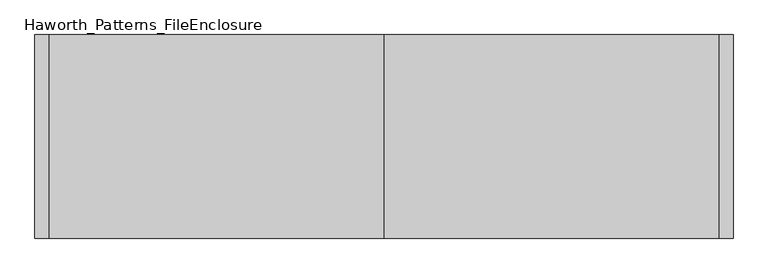
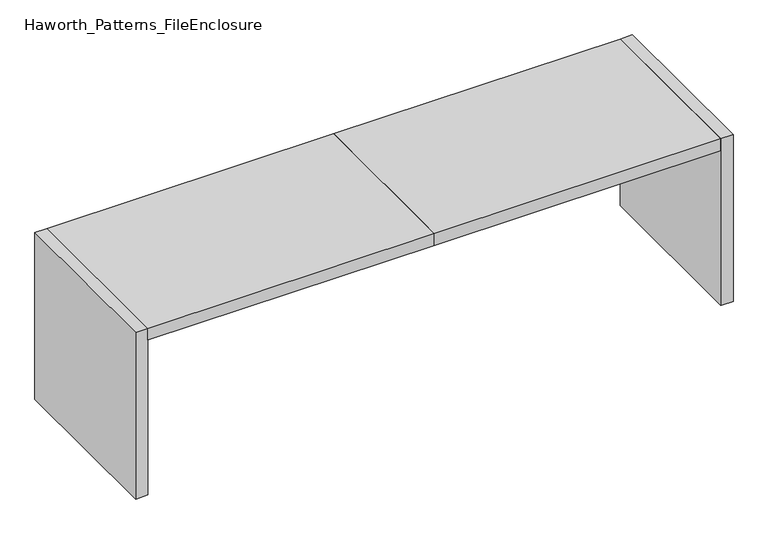
"""IFC4 building model written with IfcOpenShell, lengths in millimetres: furniture geometry, Haworth_Patterns_FileEnclosure."""

import ifcopenshell
import ifcopenshell.guid

model = None  # the IFC model being written
_history = None  # IfcOwnerHistory: only IFC2X3 demands one
_inside = {}  # id of a spatial element -> (the spatial element, [elements in it])
_under = {}  # id of a project, library or spatial element -> (it, [spatial elements below it])
_declared = {}  # id of a project -> (the project, [libraries it declares])
_typed = {}  # id of a type object -> (the type object, [elements of that type])
_made_of = {}  # id of a material, layer set ... -> (it, [elements and type objects made of it])


def new_model(schema):
    """Start an empty IFC model of exactly this schema.

    Asked for "IFC4X3", IfcOpenShell would pick the latest addendum, in which some entities
    have other attributes; the version numbers below select the first issue.
    IFC2X3 requires an IfcOwnerHistory on every rooted entity: one is made here for all.
    """
    global model, _history
    if schema == "IFC4X3":
        model = ifcopenshell.file(schema_version=(4, 3, 0, 0))
    else:
        model = ifcopenshell.file(schema=schema)
    _inside.clear()
    _under.clear()
    _declared.clear()
    _typed.clear()
    _made_of.clear()
    _history = None
    if model.schema == "IFC2X3":
        org = make("IfcOrganization", Name="unknown")
        user = make(
            "IfcPersonAndOrganization",
            ThePerson=make("IfcPerson", FamilyName="unknown"),
            TheOrganization=org,
        )
        app = make(
            "IfcApplication",
            ApplicationDeveloper=org,
            Version="unknown",
            ApplicationFullName="unknown",
            ApplicationIdentifier="unknown",
        )
        _history = make(
            "IfcOwnerHistory",
            OwningUser=user,
            OwningApplication=app,
            ChangeAction="ADDED",
            CreationDate=0,
        )
    return model


def make(cls, **values):
    """One entity of the class cls with the attributes given. An attribute that is None is left unset."""
    return model.create_entity(
        cls, **{name: value for name, value in values.items() if value is not None}
    )


def rooted(cls, **values):
    """An entity with a GlobalId (a new one), such as an element, a storey or a relation."""
    return make(cls, GlobalId=ifcopenshell.guid.new(), OwnerHistory=_history, **values)


def si_unit(unit_type, name, prefix=None):
    """IfcSIUnit, for example si_unit("LENGTHUNIT", "METRE", prefix="MILLI")."""
    return make("IfcSIUnit", UnitType=unit_type, Prefix=prefix, Name=name)


def assignment(units):
    """IfcUnitAssignment: the units of a project."""
    return None if units is None else make("IfcUnitAssignment", Units=units)


def point(xyz):
    """IfcCartesianPoint."""
    return None if xyz is None else make("IfcCartesianPoint", Coordinates=xyz)


def direction(xyz):
    """IfcDirection."""
    return None if xyz is None else make("IfcDirection", DirectionRatios=xyz)


def frame(location, z_axis=None, x_axis=None):
    """IfcAxis2Placement3D, a coordinate frame: its origin and axes. An axis left out is left unset."""
    return make(
        "IfcAxis2Placement3D",
        Location=point(location),
        Axis=direction(z_axis),
        RefDirection=direction(x_axis),
    )


def origin():
    """The frame at (0, 0, 0) with its axes left unset."""
    return frame((0.0, 0.0, 0.0))


def origin_with_axes():
    """The frame at (0, 0, 0) with the z axis (0, 0, 1) and the x axis (1, 0, 0) written out."""
    return frame((0.0, 0.0, 0.0), z_axis=(0.0, 0.0, 1.0), x_axis=(1.0, 0.0, 0.0))


def place(relative_to, where):
    """IfcLocalPlacement: puts the frame where relative to a parent placement (None: the world)."""
    return make(
        "IfcLocalPlacement", PlacementRelTo=relative_to, RelativePlacement=where
    )


def context(
    kind, dimensions, precision=None, world=None, true_north=None, identifier=None
):
    """IfcGeometricRepresentationContext, for example the 3D "Model" context."""
    return make(
        "IfcGeometricRepresentationContext",
        ContextIdentifier=identifier,
        ContextType=kind,
        CoordinateSpaceDimension=dimensions,
        Precision=precision,
        WorldCoordinateSystem=world,
        TrueNorth=true_north,
    )


def project(units=None, contexts=None):
    """IfcProject with its units and contexts."""
    return rooted(
        "IfcProject",
        Name="project",
        RepresentationContexts=contexts,
        UnitsInContext=assignment(units),
    )


def spatial(cls, under=None, at=None, **own):
    """A site, building, storey or space (cls), placed at a placement, below another one or the project."""
    s = rooted(cls, ObjectPlacement=at, **own)
    if under is not None:
        _under.setdefault(under.id(), (under, []))[1].append(s)
    return s


def polyline(points):
    """IfcPolyline through the points."""
    return make("IfcPolyline", Points=[point(p) for p in points])


def outline(outer, holes=None, kind="AREA"):
    """IfcArbitraryClosedProfileDef: a profile drawn as a closed curve; with holes, ...WithVoids."""
    if holes is None:
        return make("IfcArbitraryClosedProfileDef", ProfileType=kind, OuterCurve=outer)
    return make(
        "IfcArbitraryProfileDefWithVoids",
        ProfileType=kind,
        OuterCurve=outer,
        InnerCurves=holes,
    )


def extrude(swept, where, along, depth):
    """IfcExtrudedAreaSolid: the profile swept, set in the frame where, extruded along a direction by depth."""
    return make(
        "IfcExtrudedAreaSolid",
        SweptArea=swept,
        Position=where,
        ExtrudedDirection=direction(along),
        Depth=depth,
    )


def shape(context_of_items, identifier, shape_type, items):
    """IfcShapeRepresentation: the items that make up one representation, for example the "Body"."""
    return make(
        "IfcShapeRepresentation",
        ContextOfItems=context_of_items,
        RepresentationIdentifier=identifier,
        RepresentationType=shape_type,
        Items=items,
    )


def source(mapping_origin, context_of_items, identifier, shape_type, items):
    """IfcRepresentationMap: a shape defined once, which mapped items show again and again."""
    return make(
        "IfcRepresentationMap",
        MappingOrigin=mapping_origin,
        MappedRepresentation=shape(context_of_items, identifier, shape_type, items),
    )


def transform(
    local_origin,
    x_axis=None,
    y_axis=None,
    z_axis=None,
    scale=None,
    scale2=None,
    scale3=None,
    uniform=True,
):
    """IfcCartesianTransformationOperator3D, or its non-uniform kind. x_axis, y_axis, z_axis: its Axis1, 2, 3."""
    if uniform:
        return make(
            "IfcCartesianTransformationOperator3D",
            Axis1=direction(x_axis),
            Axis2=direction(y_axis),
            LocalOrigin=point(local_origin),
            Scale=scale,
            Axis3=direction(z_axis),
        )
    return make(
        "IfcCartesianTransformationOperator3DnonUniform",
        Axis1=direction(x_axis),
        Axis2=direction(y_axis),
        LocalOrigin=point(local_origin),
        Scale=scale,
        Axis3=direction(z_axis),
        Scale2=scale2,
        Scale3=scale3,
    )


def mapped(mapping_source, mapping_target):
    """IfcMappedItem: shows the shape of a source again, moved by a transform."""
    return make(
        "IfcMappedItem", MappingSource=mapping_source, MappingTarget=mapping_target
    )


def made_of(thing, what):
    """Note that an element or type object is made of a material, layer set ...; save() writes the relation."""
    if what is not None:
        _made_of.setdefault(what.id(), (what, []))[1].append(thing)
    return thing


def element(
    cls,
    number,
    at=None,
    inside=None,
    cuts=None,
    type_object=None,
    material=None,
    context=None,
    identifier="Body",
    shape_type=None,
    held_by="IfcProductDefinitionShape",
    body=None,
    shapes=None,
    **own,
):
    """One element of the class cls, such as IfcWall. Its Tag is "e" and its number.

    at: its placement. inside: the storey or other place that contains it. cuts: it is an
    opening in that element (IfcRelVoidsElement). A single representation is given by context,
    identifier, shape_type and body (its items); several are given by shapes. held_by: the class
    of the entity that holds the representations. save() writes the other relations.
    """
    e = rooted(cls, Tag="e%d" % number, ObjectPlacement=at, **own)
    if body is not None:
        shapes = [shape(context, identifier, shape_type, body)]
    if shapes is not None:
        e.Representation = make(held_by, Representations=shapes)
    if inside is not None:
        _inside.setdefault(inside.id(), (inside, []))[1].append(e)
    if cuts is not None:
        rooted(
            "IfcRelVoidsElement", RelatingBuildingElement=cuts, RelatedOpeningElement=e
        )
    if type_object is not None:
        _typed.setdefault(type_object.id(), (type_object, []))[1].append(e)
    return made_of(e, material)


def aggregate(whole, parts):
    """IfcRelAggregates: a whole, such as a stair, and the parts it consists of."""
    return rooted("IfcRelAggregates", RelatingObject=whole, RelatedObjects=parts)


def save(model, path):
    """Write the relations noted so far, then the file.

    IfcRelAggregates (storeys below a building ...), IfcRelContainedInSpatialStructure (elements
    in a storey), IfcRelDefinesByType, IfcRelAssociatesMaterial and IfcRelDeclares: one each for
    every whole, place, type object, material and project.
    """
    for whole, parts in _under.values():
        aggregate(whole, parts)
    for where, things in _inside.values():
        rooted(
            "IfcRelContainedInSpatialStructure",
            RelatedElements=things,
            RelatingStructure=where,
        )
    for kind, things in _typed.values():
        rooted("IfcRelDefinesByType", RelatedObjects=things, RelatingType=kind)
    for what, things in _made_of.values():
        rooted("IfcRelAssociatesMaterial", RelatedObjects=things, RelatingMaterial=what)
    for by, libraries in _declared.values():
        rooted("IfcRelDeclares", RelatingContext=by, RelatedDefinitions=libraries)
    model.write(path)


def haworth_patterns_fileenclosure_ecdb6d95(model_context):
    return source(origin(), model_context, "Body", "SweptSolid", [
        extrude(outline(polyline([(0.0, 0.0), (1752.6, 0.0), (1752.6, -1066.8), (0.0, -1066.8), (0.0, 0.0)])), frame((0.0, 0.0, 1003.3), z_axis=(0.0, 0.0, 1.0), x_axis=(1.0, 0.0, 0.0)), (0.0, 0.0, 1.0), 76.2),
        extrude(outline(polyline([(0.0, 0.0), (0.0, -1066.8), (-1752.6, -1066.8), (-1752.6, 0.0), (0.0, 0.0)])), frame((0.0, 0.0, 1003.3), z_axis=(0.0, 0.0, 1.0), x_axis=(1.0, 0.0, 0.0)), (0.0, 0.0, 1.0), 76.2),
        extrude(outline(polyline([(1752.6, 0.0), (1828.8, 0.0), (1828.8, -1066.8), (1752.6, -1066.8), (1752.6, 0.0)])), origin_with_axes(), (0.0, 0.0, 1.0), 1079.5),
        extrude(outline(polyline([(-1752.6, 0.0), (-1752.6, -1066.8), (-1828.8, -1066.8), (-1828.8, 0.0), (-1752.6, 0.0)])), origin_with_axes(), (0.0, 0.0, 1.0), 1079.5),
    ])


if __name__ == "__main__":
    model = new_model("IFC4")
    model_context = context("Model", 3, world=origin())
    ifc_project = project(units=[si_unit("LENGTHUNIT", "METRE", prefix="MILLI")], contexts=[model_context])
    site = spatial("IfcSite", under=ifc_project)
    building = spatial("IfcBuilding", under=site)
    placement = place(None, origin())
    haworth_patterns_fileenclosure_shape = haworth_patterns_fileenclosure_ecdb6d95(model_context)
    element("IfcFurniture", 1, ObjectType="Haworth_Patterns_FileEnclosure", at=placement, inside=building, context=model_context, shape_type="MappedRepresentation", body=[
        mapped(haworth_patterns_fileenclosure_shape, transform((0.0, 0.0, 0.0), x_axis=(1.0, 0.0, 0.0), y_axis=(0.0, 1.0, 0.0), z_axis=(0.0, 0.0, 1.0))),
    ])
    save(model, "model.ifc")
